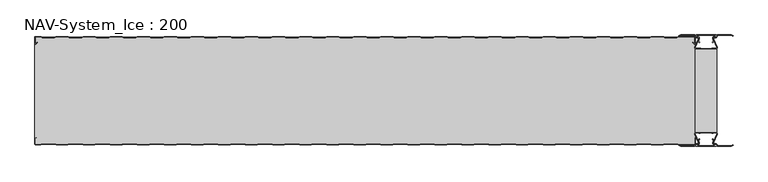
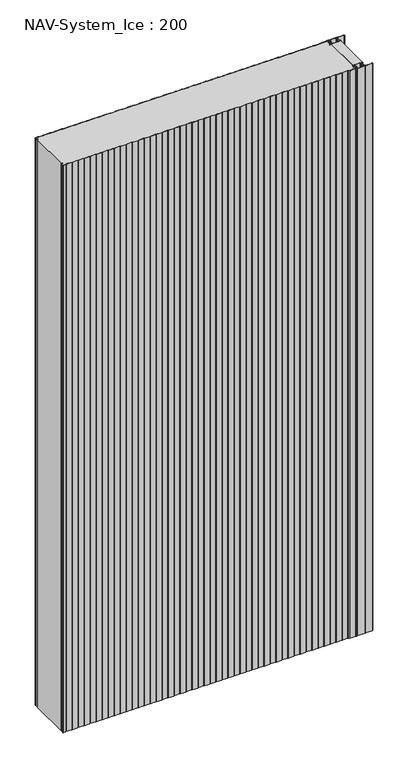
"""IFC4 building model written with IfcOpenShell, lengths in millimetres: plate geometry, NAV-System_Ice : 200."""

from ifc_helpers import new_model, si_unit, point, frame_2d, origin, origin_with_axes, place, context, project, spatial, polyline, circle_curve, trimmed, segment, composite_curve, outline, extrude, source, transform, mapped, element, save


def nav_system_ice_200_e9950154(model_context):
    return source(origin(), model_context, "Body", "SweptSolid", [
        extrude(outline(polyline([(630.0, -176.9693935), (590.0, -176.9693935), (590.0, -23.0306065), (630.0, -23.0306065), (630.0, -176.9693935)])), origin_with_axes(), (0.0, 0.0, 1.0), 2500.0),
        extrude(outline(composite_curve([segment(trimmed(circle_curve(frame_2d((599.1138734, -191.8417863)), 3.357884), [point((596.1169606, -193.3563483))], [point((597.7243711, -188.7848813))], False, "CARTESIAN"), True, "CONTINUOUS"), segment(polyline([(597.7243711, -188.7848813), (598.0554135, -189.5131744)]), True, "CONTINUOUS"), segment(trimmed(circle_curve(frame_2d((599.1138734, -191.8417863)), 2.557884), [point((598.0554135, -189.5131744))], [point((596.8448746, -193.0226397))], True, "CARTESIAN"), True, "CONTINUOUS"), segment(polyline([(596.8448746, -193.0226397), (597.7376807, -195.2182139)]), True, "CONTINUOUS"), segment(trimmed(circle_curve(frame_2d((593.7962884, -196.3456266)), 4.0994674), [point((597.7376807, -195.2182139))], [point((593.7866434, -200.4450826))], False, "CARTESIAN"), True, "CONTINUOUS"), segment(polyline([(593.7866434, -200.4450826), (592.2194901, -200.4092333)]), True, "CONTINUOUS"), segment(trimmed(circle_curve(frame_2d((592.2592624, -201.3027113)), 0.8943628), [point((592.2194901, -200.4092333))], [point((592.2592624, -202.1970741))], True, "CARTESIAN"), True, "CONTINUOUS"), segment(polyline([(592.2592624, -202.1970741), (627.7407376, -202.1970741)]), True, "CONTINUOUS"), segment(trimmed(circle_curve(frame_2d((627.7407376, -201.3027113)), 0.8943628), [point((627.7407376, -202.1970741))], [point((627.7805099, -200.4092333))], True, "CARTESIAN"), True, "CONTINUOUS"), segment(polyline([(627.7805099, -200.4092333), (626.2133566, -200.4450826)]), True, "CONTINUOUS"), segment(trimmed(circle_curve(frame_2d((626.2037116, -196.3456266)), 4.0994674), [point((626.2133566, -200.4450826))], [point((622.2623193, -195.2182139))], False, "CARTESIAN"), True, "CONTINUOUS"), segment(polyline([(622.2623193, -195.2182139), (623.1551254, -193.0226397)]), True, "CONTINUOUS"), segment(trimmed(circle_curve(frame_2d((620.8861266, -191.8417863)), 2.557884), [point((623.1551254, -193.0226397))], [point((621.9445865, -189.5131744))], True, "CARTESIAN"), True, "CONTINUOUS"), segment(polyline([(621.9445865, -189.5131744), (622.2756289, -188.7848813)]), True, "CONTINUOUS"), segment(trimmed(circle_curve(frame_2d((620.8861266, -191.8417863)), 3.357884), [point((622.2756289, -188.7848813))], [point((623.8830394, -193.3563483))], False, "CARTESIAN"), True, "CONTINUOUS"), segment(polyline([(623.8830394, -193.3563483), (623.0205049, -195.4774793)]), True, "CONTINUOUS"), segment(trimmed(circle_curve(frame_2d((626.2037116, -196.3456266)), 3.2994674), [point((623.0205049, -195.4774793))], [point((626.2037116, -199.645094))], True, "CARTESIAN"), True, "CONTINUOUS"), segment(polyline([(626.2037116, -199.645094), (627.7848884, -199.6089239)]), True, "CONTINUOUS"), segment(trimmed(circle_curve(frame_2d((627.7407376, -201.3027113)), 1.6943628), [point((627.7848884, -199.6089239))], [point((627.7407423, -202.9970741))], False, "CARTESIAN"), True, "CONTINUOUS"), segment(polyline([(627.7407423, -202.9970741), (592.2592577, -202.9970741)]), True, "CONTINUOUS"), segment(trimmed(circle_curve(frame_2d((592.2592624, -201.3027113)), 1.6943628), [point((592.2592577, -202.9970741))], [point((592.2151116, -199.6089239))], False, "CARTESIAN"), True, "CONTINUOUS"), segment(polyline([(592.2151116, -199.6089239), (593.7962884, -199.645094)]), True, "CONTINUOUS"), segment(trimmed(circle_curve(frame_2d((593.7962884, -196.3456266)), 3.2994674), [point((593.7962884, -199.645094))], [point((596.9794951, -195.4774793))], True, "CARTESIAN"), True, "CONTINUOUS"), segment(polyline([(596.9794951, -195.4774793), (596.1169606, -193.3563483)]), True, "CONTINUOUS")], self_intersect=False)), origin_with_axes(), (0.0, 0.0, 1.0), 2500.0),
        extrude(outline(composite_curve([segment(polyline([(596.1169606, -6.6436517), (596.9794951, -4.5225207)]), True, "CONTINUOUS"), segment(trimmed(circle_curve(frame_2d((593.7962884, -3.6543734)), 3.2994674), [point((596.9794951, -4.5225207))], [point((593.7962884, -0.354906))], True, "CARTESIAN"), True, "CONTINUOUS"), segment(polyline([(593.7962884, -0.354906), (592.2151116, -0.3910761)]), True, "CONTINUOUS"), segment(trimmed(circle_curve(frame_2d((592.2592624, 1.3027113)), 1.6943628), [point((592.2151116, -0.3910761))], [point((592.2592577, 2.9970741))], False, "CARTESIAN"), True, "CONTINUOUS"), segment(polyline([(592.2592577, 2.9970741), (627.7407423, 2.9970741)]), True, "CONTINUOUS"), segment(trimmed(circle_curve(frame_2d((627.7407376, 1.3027113)), 1.6943628), [point((627.7407423, 2.9970741))], [point((627.7848884, -0.3910761))], False, "CARTESIAN"), True, "CONTINUOUS"), segment(polyline([(627.7848884, -0.3910761), (626.2037116, -0.354906)]), True, "CONTINUOUS"), segment(trimmed(circle_curve(frame_2d((626.2037116, -3.6543734)), 3.2994674), [point((626.2037116, -0.354906))], [point((623.0205049, -4.5225207))], True, "CARTESIAN"), True, "CONTINUOUS"), segment(polyline([(623.0205049, -4.5225207), (623.8830394, -6.6436517)]), True, "CONTINUOUS"), segment(trimmed(circle_curve(frame_2d((620.8861266, -8.1582137)), 3.357884), [point((623.8830394, -6.6436517))], [point((622.2756289, -11.2151187))], False, "CARTESIAN"), True, "CONTINUOUS"), segment(polyline([(622.2756289, -11.2151187), (621.9445865, -10.4868256)]), True, "CONTINUOUS"), segment(trimmed(circle_curve(frame_2d((620.8861266, -8.1582137)), 2.557884), [point((621.9445865, -10.4868256))], [point((623.1551254, -6.9773603))], True, "CARTESIAN"), True, "CONTINUOUS"), segment(polyline([(623.1551254, -6.9773603), (622.2623193, -4.7817861)]), True, "CONTINUOUS"), segment(trimmed(circle_curve(frame_2d((626.2037116, -3.6543734)), 4.0994674), [point((622.2623193, -4.7817861))], [point((626.2133566, 0.4450826))], False, "CARTESIAN"), True, "CONTINUOUS"), segment(polyline([(626.2133566, 0.4450826), (627.7805099, 0.4092333)]), True, "CONTINUOUS"), segment(trimmed(circle_curve(frame_2d((627.7407376, 1.3027113)), 0.8943628), [point((627.7805099, 0.4092333))], [point((627.7407376, 2.1970741))], True, "CARTESIAN"), True, "CONTINUOUS"), segment(polyline([(627.7407376, 2.1970741), (592.2592624, 2.1970741)]), True, "CONTINUOUS"), segment(trimmed(circle_curve(frame_2d((592.2592624, 1.3027113)), 0.8943628), [point((592.2592624, 2.1970741))], [point((592.2194901, 0.4092333))], True, "CARTESIAN"), True, "CONTINUOUS"), segment(polyline([(592.2194901, 0.4092333), (593.7866434, 0.4450826)]), True, "CONTINUOUS"), segment(trimmed(circle_curve(frame_2d((593.7962884, -3.6543734)), 4.0994674), [point((593.7866434, 0.4450826))], [point((597.7376807, -4.7817861))], False, "CARTESIAN"), True, "CONTINUOUS"), segment(polyline([(597.7376807, -4.7817861), (596.8448746, -6.9773603)]), True, "CONTINUOUS"), segment(trimmed(circle_curve(frame_2d((599.1138734, -8.1582137)), 2.557884), [point((596.8448746, -6.9773603))], [point((598.0554135, -10.4868256))], True, "CARTESIAN"), True, "CONTINUOUS"), segment(polyline([(598.0554135, -10.4868256), (597.7243711, -11.2151187)]), True, "CONTINUOUS"), segment(trimmed(circle_curve(frame_2d((599.1138734, -8.1582137)), 3.357884), [point((597.7243711, -11.2151187))], [point((596.1169606, -6.6436517))], False, "CARTESIAN"), True, "CONTINUOUS")], self_intersect=False)), origin_with_axes(), (0.0, 0.0, 1.0), 2500.0),
        extrude(outline(composite_curve([segment(trimmed(circle_curve(frame_2d((591.9446371, -179.7746821)), 1.80576), [point((591.9446371, -177.9689221))], [point((590.2170288, -180.300171))], True, "CARTESIAN"), True, "CONTINUOUS"), segment(polyline([(590.2170288, -180.300171), (596.4690067, -194.9459892)]), True, "CONTINUOUS"), segment(trimmed(circle_curve(frame_2d((593.7254406, -195.9868127)), 2.93436), [point((596.4690067, -194.9459892))], [point((593.7254406, -198.9211727))], False, "CARTESIAN"), True, "CONTINUOUS"), segment(polyline([(593.7254406, -198.9211727), (592.1347887, -198.9211727)]), True, "CONTINUOUS"), segment(trimmed(circle_curve(frame_2d((592.1347887, -200.5012127)), 1.58004), [point((592.1347887, -198.9211727))], [point((590.931072, -199.4776931))], True, "CARTESIAN"), True, "CONTINUOUS"), segment(polyline([(590.931072, -199.4776931), (589.0191946, -203.0112573), (562.9417977, -203.0112573), (560.0, -201.2043676), (560.523373, -200.3522639), (563.2243806, -202.0112573), (588.4232658, -202.0112573), (590.0952671, -198.9210361)]), True, "CONTINUOUS"), segment(trimmed(circle_curve(frame_2d((592.1347887, -200.5012127)), 2.58004), [point((590.0952671, -198.9210361))], [point((592.1347887, -197.9211727))], False, "CARTESIAN"), True, "CONTINUOUS"), segment(polyline([(592.1347887, -197.9211727), (593.7254406, -197.9211727)]), True, "CONTINUOUS"), segment(trimmed(circle_curve(frame_2d((593.7254406, -195.9868127)), 1.93436), [point((593.7254406, -197.9211727))], [point((595.5404425, -195.3178459))], True, "CARTESIAN"), True, "CONTINUOUS"), segment(polyline([(595.5404425, -195.3178459), (589.2784311, -180.6484726)]), True, "CONTINUOUS"), segment(trimmed(circle_curve(frame_2d((591.9446225, -179.7747413)), 2.8057055), [point((589.2784311, -180.6484726))], [point((591.9446225, -176.9690357))], False, "CARTESIAN"), True, "CONTINUOUS"), segment(polyline([(591.9446225, -176.9690357), (595.755568, -176.9690357)]), True, "CONTINUOUS"), segment(trimmed(circle_curve(frame_2d((595.7555679, -179.0975873)), 2.1285516), [point((595.755568, -176.9690357))], [point((597.1042828, -177.4508633))], False, "CARTESIAN"), True, "CONTINUOUS"), segment(trimmed(circle_curve(frame_2d((598.2552034, -176.0456377)), 1.8163913), [point((597.1042828, -177.4508633))], [point((599.4059468, -177.4510085))], True, "CARTESIAN"), True, "CONTINUOUS"), segment(trimmed(circle_curve(frame_2d((600.7543352, -179.0977575)), 2.128364), [point((599.4059468, -177.4510085))], [point((600.7543352, -176.9693935))], False, "CARTESIAN"), True, "CONTINUOUS"), segment(polyline([(600.7543352, -176.9693935), (619.2454674, -176.9693935)]), True, "CONTINUOUS"), segment(trimmed(circle_curve(frame_2d((619.2454674, -179.0977884)), 2.1283949), [point((619.2454674, -176.9693935))], [point((620.594293, -177.4513576))], False, "CARTESIAN"), True, "CONTINUOUS"), segment(trimmed(circle_curve(frame_2d((621.7456338, -176.0459847)), 1.8167715), [point((620.594293, -177.4513576))], [point((622.8963798, -177.4518446))], True, "CARTESIAN"), True, "CONTINUOUS"), segment(trimmed(circle_curve(frame_2d((624.244105, -179.0983528)), 2.1277576), [point((622.8963798, -177.4518446))], [point((624.244105, -176.9705952))], False, "CARTESIAN"), True, "CONTINUOUS"), segment(polyline([(624.244105, -176.9705952), (628.0535675, -176.9705952)]), True, "CONTINUOUS"), segment(trimmed(circle_curve(frame_2d((628.0535675, -179.7787791)), 2.8081839), [point((628.0535675, -176.9705952))], [point((630.7287795, -180.6326746))], False, "CARTESIAN"), True, "CONTINUOUS"), segment(polyline([(630.7287795, -180.6326746), (624.4595575, -195.3178459)]), True, "CONTINUOUS"), segment(trimmed(circle_curve(frame_2d((626.2745595, -195.9868127)), 1.93436), [point((624.4595575, -195.3178459))], [point((626.2745595, -197.9211727))], True, "CARTESIAN"), True, "CONTINUOUS"), segment(polyline([(626.2745595, -197.9211727), (627.8652113, -197.9211727)]), True, "CONTINUOUS"), segment(trimmed(circle_curve(frame_2d((627.8652113, -200.5012127)), 2.58004), [point((627.8652113, -197.9211727))], [point((629.9047329, -198.9210361))], False, "CARTESIAN"), True, "CONTINUOUS"), segment(polyline([(629.9047329, -198.9210361), (631.5767342, -202.0112573), (656.7756194, -202.0112573), (659.476627, -200.3522639), (660.0, -201.2043676), (657.0582024, -203.0112573), (630.9808054, -203.0112573), (629.068928, -199.4776931)]), True, "CONTINUOUS"), segment(trimmed(circle_curve(frame_2d((627.8652113, -200.5012127)), 1.58004), [point((629.068928, -199.4776931))], [point((627.8652113, -198.9211727))], True, "CARTESIAN"), True, "CONTINUOUS"), segment(polyline([(627.8652113, -198.9211727), (626.2745595, -198.9211727)]), True, "CONTINUOUS"), segment(trimmed(circle_curve(frame_2d((626.2745595, -195.9868127)), 2.93436), [point((626.2745595, -198.9211727))], [point((623.5309933, -194.9459892))], False, "CARTESIAN"), True, "CONTINUOUS"), segment(polyline([(623.5309933, -194.9459892), (629.7829713, -180.300171)]), True, "CONTINUOUS"), segment(trimmed(circle_curve(frame_2d((628.0553629, -179.7746822)), 1.80576), [point((629.7829713, -180.300171))], [point((628.0553629, -177.9689222))], True, "CARTESIAN"), True, "CONTINUOUS"), segment(polyline([(628.0553629, -177.9689222), (623.5184731, -177.9689222)]), True, "CONTINUOUS"), segment(trimmed(circle_curve(frame_2d((621.7449981, -176.0455076)), 2.6162449), [point((623.5184731, -177.9689222))], [point((619.7766029, -177.7689222))], False, "CARTESIAN"), True, "CONTINUOUS"), segment(polyline([(619.7766029, -177.7689222), (600.2233971, -177.7689222)]), True, "CONTINUOUS"), segment(trimmed(circle_curve(frame_2d((598.255002, -176.0455076)), 2.6162449), [point((600.2233971, -177.7689222))], [point((596.4815269, -177.9689221))], False, "CARTESIAN"), True, "CONTINUOUS"), segment(polyline([(596.4815269, -177.9689221), (591.9446371, -177.9689221)]), True, "CONTINUOUS")], self_intersect=False)), origin_with_axes(), (0.0, 0.0, 1.0), 2500.0),
        extrude(outline(composite_curve([segment(polyline([(591.9446371, -22.0310778), (596.4815269, -22.0310778)]), True, "CONTINUOUS"), segment(trimmed(circle_curve(frame_2d((598.2550019, -23.9544924)), 2.6162449), [point((596.4815269, -22.0310778))], [point((600.2233971, -22.2310778))], False, "CARTESIAN"), True, "CONTINUOUS"), segment(polyline([(600.2233971, -22.2310778), (619.7766029, -22.2310778)]), True, "CONTINUOUS"), segment(trimmed(circle_curve(frame_2d((621.7449981, -23.9544924)), 2.6162449), [point((619.7766029, -22.2310778))], [point((623.5184731, -22.0310778))], False, "CARTESIAN"), True, "CONTINUOUS"), segment(polyline([(623.5184731, -22.0310778), (628.0553629, -22.0310778)]), True, "CONTINUOUS"), segment(trimmed(circle_curve(frame_2d((628.0553629, -20.2253178)), 1.80576), [point((628.0553629, -22.0310778))], [point((629.7829712, -19.699829))], True, "CARTESIAN"), True, "CONTINUOUS"), segment(polyline([(629.7829712, -19.699829), (623.5309933, -5.0540108)]), True, "CONTINUOUS"), segment(trimmed(circle_curve(frame_2d((626.2745594, -4.0131873)), 2.93436), [point((623.5309933, -5.0540108))], [point((626.2745594, -1.0788273))], False, "CARTESIAN"), True, "CONTINUOUS"), segment(polyline([(626.2745594, -1.0788273), (627.8652113, -1.0788273)]), True, "CONTINUOUS"), segment(trimmed(circle_curve(frame_2d((627.8652113, 0.5012127)), 1.58004), [point((627.8652113, -1.0788273))], [point((629.068928, -0.5223069))], True, "CARTESIAN"), True, "CONTINUOUS"), segment(polyline([(629.068928, -0.5223069), (630.9808054, 3.0112573), (657.0582023, 3.0112573), (660.0, 1.2043676), (659.476627, 0.3522639), (656.7756194, 2.0112573), (631.5767342, 2.0112573), (629.9047329, -1.0789639)]), True, "CONTINUOUS"), segment(trimmed(circle_curve(frame_2d((627.8652113, 0.5012127)), 2.58004), [point((629.9047329, -1.0789639))], [point((627.8652113, -2.0788273))], False, "CARTESIAN"), True, "CONTINUOUS"), segment(polyline([(627.8652113, -2.0788273), (626.2745594, -2.0788273)]), True, "CONTINUOUS"), segment(trimmed(circle_curve(frame_2d((626.2745594, -4.0131873)), 1.93436), [point((626.2745594, -2.0788273))], [point((624.4595575, -4.6821541))], True, "CARTESIAN"), True, "CONTINUOUS"), segment(polyline([(624.4595575, -4.6821541), (630.7287795, -19.3673254)]), True, "CONTINUOUS"), segment(trimmed(circle_curve(frame_2d((628.0535675, -20.2212209)), 2.8081839), [point((630.7287795, -19.3673254))], [point((628.0535675, -23.0294048))], False, "CARTESIAN"), True, "CONTINUOUS"), segment(polyline([(628.0535675, -23.0294048), (624.244105, -23.0294048)]), True, "CONTINUOUS"), segment(trimmed(circle_curve(frame_2d((624.244105, -20.9016472)), 2.1277576), [point((624.244105, -23.0294048))], [point((622.8963798, -22.5481554))], False, "CARTESIAN"), True, "CONTINUOUS"), segment(trimmed(circle_curve(frame_2d((621.7456337, -23.9540153)), 1.8167716), [point((622.8963798, -22.5481554))], [point((620.5942929, -22.5486423))], True, "CARTESIAN"), True, "CONTINUOUS"), segment(trimmed(circle_curve(frame_2d((619.2454674, -20.9022116)), 2.1283949), [point((620.5942929, -22.5486423))], [point((619.2454674, -23.0306065))], False, "CARTESIAN"), True, "CONTINUOUS"), segment(polyline([(619.2454674, -23.0306065), (600.7543352, -23.0306065)]), True, "CONTINUOUS"), segment(trimmed(circle_curve(frame_2d((600.7543352, -20.9022425)), 2.128364), [point((600.7543352, -23.0306065))], [point((599.4059468, -22.5489915))], False, "CARTESIAN"), True, "CONTINUOUS"), segment(trimmed(circle_curve(frame_2d((598.2552034, -23.9543623)), 1.8163912), [point((599.4059468, -22.5489915))], [point((597.1042828, -22.5491367))], True, "CARTESIAN"), True, "CONTINUOUS"), segment(trimmed(circle_curve(frame_2d((595.7555679, -20.9024127)), 2.1285516), [point((597.1042828, -22.5491367))], [point((595.7555679, -23.0309643))], False, "CARTESIAN"), True, "CONTINUOUS"), segment(polyline([(595.7555679, -23.0309643), (591.9446225, -23.0309643)]), True, "CONTINUOUS"), segment(trimmed(circle_curve(frame_2d((591.9446225, -20.2252587)), 2.8057055), [point((591.9446225, -23.0309643))], [point((589.2784311, -19.3515274))], False, "CARTESIAN"), True, "CONTINUOUS"), segment(polyline([(589.2784311, -19.3515274), (595.5404425, -4.6821541)]), True, "CONTINUOUS"), segment(trimmed(circle_curve(frame_2d((593.7254406, -4.0131873)), 1.93436), [point((595.5404425, -4.6821541))], [point((593.7254406, -2.0788273))], True, "CARTESIAN"), True, "CONTINUOUS"), segment(polyline([(593.7254406, -2.0788273), (592.1347887, -2.0788273)]), True, "CONTINUOUS"), segment(trimmed(circle_curve(frame_2d((592.1347887, 0.5012127)), 2.58004), [point((592.1347887, -2.0788273))], [point((590.0952671, -1.0789639))], False, "CARTESIAN"), True, "CONTINUOUS"), segment(polyline([(590.0952671, -1.0789639), (588.4232658, 2.0112573), (563.2243806, 2.0112573), (560.523373, 0.3522639), (560.0, 1.2043676), (562.9417977, 3.0112573), (589.0191946, 3.0112573), (590.931072, -0.5223069)]), True, "CONTINUOUS"), segment(trimmed(circle_curve(frame_2d((592.1347887, 0.5012127)), 1.58004), [point((590.931072, -0.5223069))], [point((592.1347887, -1.0788273))], True, "CARTESIAN"), True, "CONTINUOUS"), segment(polyline([(592.1347887, -1.0788273), (593.7254406, -1.0788273)]), True, "CONTINUOUS"), segment(trimmed(circle_curve(frame_2d((593.7254406, -4.0131873)), 2.93436), [point((593.7254406, -1.0788273))], [point((596.4690067, -5.0540108))], False, "CARTESIAN"), True, "CONTINUOUS"), segment(polyline([(596.4690067, -5.0540108), (590.2170288, -19.699829)]), True, "CONTINUOUS"), segment(trimmed(circle_curve(frame_2d((591.9446371, -20.2253178)), 1.80576), [point((590.2170288, -19.699829))], [point((591.9446371, -22.0310778))], True, "CARTESIAN"), True, "CONTINUOUS")], self_intersect=False)), origin_with_axes(), (0.0, 0.0, 1.0), 2500.0),
        extrude(outline(composite_curve([segment(polyline([(559.1298221, -0.8), (556.1298221, -1.8), (533.8701779, -1.8), (530.8701779, -0.8), (509.1298221, -0.8), (506.1298221, -1.8), (483.8701779, -1.8), (480.8701779, -0.8), (459.1298221, -0.8), (456.1298221, -1.8), (433.8701779, -1.8), (430.8701779, -0.8), (409.1298221, -0.8), (406.1298221, -1.8), (383.8701779, -1.8), (380.8701779, -0.8), (359.1298221, -0.8), (356.1298221, -1.8), (333.8701779, -1.8), (330.8701779, -0.8), (309.1298221, -0.8), (306.1298221, -1.8), (283.8701779, -1.8), (280.8701779, -0.8), (259.1298221, -0.8), (256.1298221, -1.8), (233.8701779, -1.8), (230.8701779, -0.8), (209.1298221, -0.8), (206.1298221, -1.8), (183.8701779, -1.8), (180.8701779, -0.8), (159.1298221, -0.8), (156.1298221, -1.8), (133.8701779, -1.8), (130.8701779, -0.8), (109.1298221, -0.8), (106.1298221, -1.8), (83.8701779, -1.8), (80.8701779, -0.8), (59.1298221, -0.8), (56.1298221, -1.8), (33.8701779, -1.8), (30.8701779, -0.8), (9.1298221, -0.8), (6.1298221, -1.8), (-16.1298221, -1.8), (-19.1298221, -0.8), (-40.8701779, -0.8), (-43.8701779, -1.8), (-66.1298221, -1.8), (-69.1298221, -0.8), (-90.8701779, -0.8), (-93.8701779, -1.8), (-116.1298221, -1.8), (-119.1298221, -0.8), (-140.8701779, -0.8), (-143.8701779, -1.8), (-166.1298221, -1.8), (-169.1298221, -0.8), (-190.8701779, -0.8), (-193.8701779, -1.8), (-216.1298221, -1.8), (-219.1298221, -0.8), (-240.8701779, -0.8), (-243.8701779, -1.8), (-266.1298221, -1.8), (-269.1298221, -0.8), (-290.8701779, -0.8), (-293.8701779, -1.8), (-316.1298221, -1.8), (-319.1298221, -0.8), (-340.8701779, -0.8), (-343.8701779, -1.8), (-366.1298221, -1.8), (-369.1298221, -0.8), (-390.8701779, -0.8), (-393.8701779, -1.8), (-416.1298221, -1.8), (-419.1298221, -0.8), (-440.8701779, -0.8), (-443.8701779, -1.8), (-466.1298221, -1.8), (-469.1298221, -0.8), (-490.8701779, -0.8), (-493.8701779, -1.8), (-516.1298221, -1.8), (-519.1298221, -0.8), (-540.8701779, -0.8), (-543.8701779, -1.8), (-566.1298221, -1.8), (-569.1298221, -0.8), (-590.8701779, -0.8), (-593.8701779, -1.8), (-616.1298221, -1.8), (-619.1298221, -0.8), (-628.7, -0.8)]), True, "CONTINUOUS"), segment(trimmed(circle_curve(frame_2d((-628.7, -1.3)), 0.5), [point((-628.7, -0.8))], [point((-629.2, -1.3))], True, "CARTESIAN"), True, "CONTINUOUS"), segment(polyline([(-629.2, -1.3), (-629.2, -12.5857864)]), True, "CONTINUOUS"), segment(trimmed(circle_curve(frame_2d((-628.7, -12.5857864)), 0.5), [point((-629.2, -12.5857864))], [point((-628.3464466, -12.9393398))], True, "CARTESIAN"), True, "CONTINUOUS"), segment(polyline([(-628.3464466, -12.9393398), (-625.9205321, -10.5134253), (-625.3548467, -11.0791108), (-627.7807612, -13.5050253)]), True, "CONTINUOUS"), segment(trimmed(circle_curve(frame_2d((-628.7, -12.5857864)), 1.3), [point((-627.7807612, -13.5050253))], [point((-630.0, -12.5857864))], False, "CARTESIAN"), True, "CONTINUOUS"), segment(polyline([(-630.0, -12.5857864), (-630.0, -1.3)]), True, "CONTINUOUS"), segment(trimmed(circle_curve(frame_2d((-628.7, -1.3)), 1.3), [point((-630.0, -1.3))], [point((-628.7, 0.0))], False, "CARTESIAN"), True, "CONTINUOUS"), segment(polyline([(-628.7, 0.0), (-619.0, 0.0), (-616.0, -1.0), (-594.0, -1.0), (-591.0, 0.0), (-569.0, 0.0), (-566.0, -1.0), (-544.0, -1.0), (-541.0, 0.0), (-519.0, 0.0), (-516.0, -1.0), (-494.0, -1.0), (-491.0, 0.0), (-469.0, 0.0), (-466.0, -1.0), (-444.0, -1.0), (-441.0, 0.0), (-419.0, 0.0), (-416.0, -1.0), (-394.0, -1.0), (-391.0, 0.0), (-369.0, 0.0), (-366.0, -1.0), (-344.0, -1.0), (-341.0, 0.0), (-319.0, 0.0), (-316.0, -1.0), (-294.0, -1.0), (-291.0, 0.0), (-269.0, 0.0), (-266.0, -1.0), (-244.0, -1.0), (-241.0, 0.0), (-219.0, 0.0), (-216.0, -1.0), (-194.0, -1.0), (-191.0, 0.0), (-169.0, 0.0), (-166.0, -1.0), (-144.0, -1.0), (-141.0, 0.0), (-119.0, 0.0), (-116.0, -1.0), (-94.0, -1.0), (-91.0, 0.0), (-69.0, 0.0), (-66.0, -1.0), (-44.0, -1.0), (-41.0, 0.0), (-19.0, 0.0), (-16.0, -1.0), (6.0, -1.0), (9.0, 0.0), (31.0, 0.0), (34.0, -1.0), (56.0, -1.0), (59.0, 0.0), (81.0, 0.0), (84.0, -1.0), (106.0, -1.0), (109.0, 0.0), (131.0, 0.0), (134.0, -1.0), (156.0, -1.0), (159.0, 0.0), (181.0, 0.0), (184.0, -1.0), (206.0, -1.0), (209.0, 0.0), (231.0, 0.0), (234.0, -1.0), (256.0, -1.0), (259.0, 0.0), (281.0, 0.0), (284.0, -1.0), (306.0, -1.0), (309.0, 0.0), (331.0, 0.0), (334.0, -1.0), (356.0, -1.0), (359.0, 0.0), (381.0, 0.0), (384.0, -1.0), (406.0, -1.0), (409.0, 0.0), (431.0, 0.0), (434.0, -1.0), (456.0, -1.0), (459.0, 0.0), (481.0, 0.0), (484.0, -1.0), (506.0, -1.0), (509.0, 0.0), (531.0, 0.0), (534.0, -1.0), (556.0, -1.0), (559.0, 0.0), (588.7, 0.0)]), True, "CONTINUOUS"), segment(trimmed(circle_curve(frame_2d((588.7, -1.3)), 1.3), [point((588.7, 0.0))], [point((590.0, -1.3))], False, "CARTESIAN"), True, "CONTINUOUS"), segment(polyline([(590.0, -1.3), (590.0, -12.5857864)]), True, "CONTINUOUS"), segment(trimmed(circle_curve(frame_2d((588.7, -12.5857864)), 1.3), [point((590.0, -12.5857864))], [point((587.7807612, -13.5050253))], False, "CARTESIAN"), True, "CONTINUOUS"), segment(polyline([(587.7807612, -13.5050253), (585.3548467, -11.0791108), (585.9205321, -10.5134253), (588.3464466, -12.9393398)]), True, "CONTINUOUS"), segment(trimmed(circle_curve(frame_2d((588.7, -12.5857864)), 0.5), [point((588.3464466, -12.9393398))], [point((589.2, -12.5857864))], True, "CARTESIAN"), True, "CONTINUOUS"), segment(polyline([(589.2, -12.5857864), (589.2, -1.3)]), True, "CONTINUOUS"), segment(trimmed(circle_curve(frame_2d((588.7, -1.3)), 0.5), [point((589.2, -1.3))], [point((588.7, -0.8))], True, "CARTESIAN"), True, "CONTINUOUS"), segment(polyline([(588.7, -0.8), (559.1298221, -0.8)]), True, "CONTINUOUS")], self_intersect=False)), origin_with_axes(), (0.0, 0.0, 1.0), 2500.0),
        extrude(outline(composite_curve([segment(polyline([(559.1298221, -0.8), (588.7, -0.8)]), True, "CONTINUOUS"), segment(trimmed(circle_curve(frame_2d((588.7, -1.3)), 0.5), [point((588.7, -0.8))], [point((589.2, -1.3))], False, "CARTESIAN"), True, "CONTINUOUS"), segment(polyline([(589.2, -1.3), (589.2, -12.5857864)]), True, "CONTINUOUS"), segment(trimmed(circle_curve(frame_2d((588.7, -12.5857864)), 0.5), [point((589.2, -12.5857864))], [point((588.3464466, -12.9393398))], False, "CARTESIAN"), True, "CONTINUOUS"), segment(polyline([(588.3464466, -12.9393398), (585.9205321, -10.5134253), (585.3548467, -11.0791108), (587.7807612, -13.5050253)]), True, "CONTINUOUS"), segment(trimmed(circle_curve(frame_2d((588.7, -12.5857864)), 1.3), [point((587.7807612, -13.5050253))], [point((588.7, -13.8857864))], True, "CARTESIAN"), True, "CONTINUOUS"), segment(polyline([(588.7, -13.8857864), (590.0, -13.8857864), (590.0, -186.1142136), (588.7, -186.1142136)]), True, "CONTINUOUS"), segment(trimmed(circle_curve(frame_2d((588.7, -187.4142136)), 1.3), [point((588.7, -186.1142136))], [point((587.7807612, -186.4949747))], True, "CARTESIAN"), True, "CONTINUOUS"), segment(polyline([(587.7807612, -186.4949747), (585.3548467, -188.9208892), (585.9205321, -189.4865747), (588.3464466, -187.0606602)]), True, "CONTINUOUS"), segment(trimmed(circle_curve(frame_2d((588.7, -187.4142136)), 0.5), [point((588.3464466, -187.0606602))], [point((589.2, -187.4142136))], False, "CARTESIAN"), True, "CONTINUOUS"), segment(polyline([(589.2, -187.4142136), (589.2, -198.7)]), True, "CONTINUOUS"), segment(trimmed(circle_curve(frame_2d((588.7, -198.7)), 0.5), [point((589.2, -198.7))], [point((588.7, -199.2))], False, "CARTESIAN"), True, "CONTINUOUS"), segment(polyline([(588.7, -199.2), (559.1298221, -199.2), (556.1298221, -198.2), (533.8701779, -198.2), (530.8701779, -199.2), (509.1298221, -199.2), (506.1298221, -198.2), (483.8701779, -198.2), (480.8701779, -199.2), (459.1298221, -199.2), (456.1298221, -198.2), (433.8701779, -198.2), (430.8701779, -199.2), (409.1298221, -199.2), (406.1298221, -198.2), (383.8701779, -198.2), (380.8701779, -199.2), (359.1298221, -199.2), (356.1298221, -198.2), (333.8701779, -198.2), (330.8701779, -199.2), (309.1298221, -199.2), (306.1298221, -198.2), (283.8701779, -198.2), (280.8701779, -199.2), (259.1298221, -199.2), (256.1298221, -198.2), (233.8701779, -198.2), (230.8701779, -199.2), (209.1298221, -199.2), (206.1298221, -198.2), (183.8701779, -198.2), (180.8701779, -199.2), (159.1298221, -199.2), (156.1298221, -198.2), (133.8701779, -198.2), (130.8701779, -199.2), (109.1298221, -199.2), (106.1298221, -198.2), (83.8701779, -198.2), (80.8701779, -199.2), (59.1298221, -199.2), (56.1298221, -198.2), (33.8701779, -198.2), (30.8701779, -199.2), (9.1298221, -199.2), (6.1298221, -198.2), (-16.1298221, -198.2), (-19.1298221, -199.2), (-40.8701779, -199.2), (-43.8701779, -198.2), (-66.1298221, -198.2), (-69.1298221, -199.2), (-90.8701779, -199.2), (-93.8701779, -198.2), (-116.1298221, -198.2), (-119.1298221, -199.2), (-140.8701779, -199.2), (-143.8701779, -198.2), (-166.1298221, -198.2), (-169.1298221, -199.2), (-190.8701779, -199.2), (-193.8701779, -198.2), (-216.1298221, -198.2), (-219.1298221, -199.2), (-240.8701779, -199.2), (-243.8701779, -198.2), (-266.1298221, -198.2), (-269.1298221, -199.2), (-290.8701779, -199.2), (-293.8701779, -198.2), (-316.1298221, -198.2), (-319.1298221, -199.2), (-340.8701779, -199.2), (-343.8701779, -198.2), (-366.1298221, -198.2), (-369.1298221, -199.2), (-390.8701779, -199.2), (-393.8701779, -198.2), (-416.1298221, -198.2), (-419.1298221, -199.2), (-440.8701779, -199.2), (-443.8701779, -198.2), (-466.1298221, -198.2), (-469.1298221, -199.2), (-490.8701779, -199.2), (-493.8701779, -198.2), (-516.1298221, -198.2), (-519.1298221, -199.2), (-540.8701779, -199.2), (-543.8701779, -198.2), (-566.1298221, -198.2), (-569.1298221, -199.2), (-590.8701779, -199.2), (-593.8701779, -198.2), (-616.1298221, -198.2), (-619.1298221, -199.2), (-628.7, -199.2)]), True, "CONTINUOUS"), segment(trimmed(circle_curve(frame_2d((-628.7, -198.7)), 0.5), [point((-628.7, -199.2))], [point((-629.2, -198.7))], False, "CARTESIAN"), True, "CONTINUOUS"), segment(polyline([(-629.2, -198.7), (-629.2, -187.4142136)]), True, "CONTINUOUS"), segment(trimmed(circle_curve(frame_2d((-628.7, -187.4142136)), 0.5), [point((-629.2, -187.4142136))], [point((-628.3464466, -187.0606602))], False, "CARTESIAN"), True, "CONTINUOUS"), segment(polyline([(-628.3464466, -187.0606602), (-625.9205321, -189.4865747), (-625.3548467, -188.9208892), (-627.7807612, -186.4949747)]), True, "CONTINUOUS"), segment(trimmed(circle_curve(frame_2d((-628.7, -187.4142136)), 1.3), [point((-627.7807612, -186.4949747))], [point((-628.7, -186.1142136))], True, "CARTESIAN"), True, "CONTINUOUS"), segment(polyline([(-628.7, -186.1142136), (-630.0, -186.1142136), (-630.0, -13.8857864), (-628.7, -13.8857864)]), True, "CONTINUOUS"), segment(trimmed(circle_curve(frame_2d((-628.7, -12.5857864)), 1.3), [point((-628.7, -13.8857864))], [point((-627.7807612, -13.5050253))], True, "CARTESIAN"), True, "CONTINUOUS"), segment(polyline([(-627.7807612, -13.5050253), (-625.3548467, -11.0791108), (-625.9205321, -10.5134253), (-628.3464466, -12.9393398)]), True, "CONTINUOUS"), segment(trimmed(circle_curve(frame_2d((-628.7, -12.5857864)), 0.5), [point((-628.3464466, -12.9393398))], [point((-629.2, -12.5857864))], False, "CARTESIAN"), True, "CONTINUOUS"), segment(polyline([(-629.2, -12.5857864), (-629.2, -1.3)]), True, "CONTINUOUS"), segment(trimmed(circle_curve(frame_2d((-628.7, -1.3)), 0.5), [point((-629.2, -1.3))], [point((-628.7, -0.8))], False, "CARTESIAN"), True, "CONTINUOUS"), segment(polyline([(-628.7, -0.8), (-619.1298221, -0.8), (-616.1298221, -1.8), (-593.8701779, -1.8), (-590.8701779, -0.8), (-569.1298221, -0.8), (-566.1298221, -1.8), (-543.8701779, -1.8), (-540.8701779, -0.8), (-519.1298221, -0.8), (-516.1298221, -1.8), (-493.8701779, -1.8), (-490.8701779, -0.8), (-469.1298221, -0.8), (-466.1298221, -1.8), (-443.8701779, -1.8), (-440.8701779, -0.8), (-419.1298221, -0.8), (-416.1298221, -1.8), (-393.8701779, -1.8), (-390.8701779, -0.8), (-369.1298221, -0.8), (-366.1298221, -1.8), (-343.8701779, -1.8), (-340.8701779, -0.8), (-319.1298221, -0.8), (-316.1298221, -1.8), (-293.8701779, -1.8), (-290.8701779, -0.8), (-269.1298221, -0.8), (-266.1298221, -1.8), (-243.8701779, -1.8), (-240.8701779, -0.8), (-219.1298221, -0.8), (-216.1298221, -1.8), (-193.8701779, -1.8), (-190.8701779, -0.8), (-169.1298221, -0.8), (-166.1298221, -1.8), (-143.8701779, -1.8), (-140.8701779, -0.8), (-119.1298221, -0.8), (-116.1298221, -1.8), (-93.8701779, -1.8), (-90.8701779, -0.8), (-69.1298221, -0.8), (-66.1298221, -1.8), (-43.8701779, -1.8), (-40.8701779, -0.8), (-19.1298221, -0.8), (-16.1298221, -1.8), (6.1298221, -1.8), (9.1298221, -0.8), (30.8701779, -0.8), (33.8701779, -1.8), (56.1298221, -1.8), (59.1298221, -0.8), (80.8701779, -0.8), (83.8701779, -1.8), (106.1298221, -1.8), (109.1298221, -0.8), (130.8701779, -0.8), (133.8701779, -1.8), (156.1298221, -1.8), (159.1298221, -0.8), (180.8701779, -0.8), (183.8701779, -1.8), (206.1298221, -1.8), (209.1298221, -0.8), (230.8701779, -0.8), (233.8701779, -1.8), (256.1298221, -1.8), (259.1298221, -0.8), (280.8701779, -0.8), (283.8701779, -1.8), (306.1298221, -1.8), (309.1298221, -0.8), (330.8701779, -0.8), (333.8701779, -1.8), (356.1298221, -1.8), (359.1298221, -0.8), (380.8701779, -0.8), (383.8701779, -1.8), (406.1298221, -1.8), (409.1298221, -0.8), (430.8701779, -0.8), (433.8701779, -1.8), (456.1298221, -1.8), (459.1298221, -0.8), (480.8701779, -0.8), (483.8701779, -1.8), (506.1298221, -1.8), (509.1298221, -0.8), (530.8701779, -0.8), (533.8701779, -1.8), (556.1298221, -1.8), (559.1298221, -0.8)]), True, "CONTINUOUS")], self_intersect=False)), origin_with_axes(), (0.0, 0.0, 1.0), 2500.0),
        extrude(outline(composite_curve([segment(polyline([(559.1298221, -199.2), (588.7, -199.2)]), True, "CONTINUOUS"), segment(trimmed(circle_curve(frame_2d((588.7, -198.7)), 0.5), [point((588.7, -199.2))], [point((589.2, -198.7))], True, "CARTESIAN"), True, "CONTINUOUS"), segment(polyline([(589.2, -198.7), (589.2, -187.4142136)]), True, "CONTINUOUS"), segment(trimmed(circle_curve(frame_2d((588.7, -187.4142136)), 0.5), [point((589.2, -187.4142136))], [point((588.3464466, -187.0606602))], True, "CARTESIAN"), True, "CONTINUOUS"), segment(polyline([(588.3464466, -187.0606602), (585.9205321, -189.4865747), (585.3548467, -188.9208892), (587.7807612, -186.4949747)]), True, "CONTINUOUS"), segment(trimmed(circle_curve(frame_2d((588.7, -187.4142136)), 1.3), [point((587.7807612, -186.4949747))], [point((590.0, -187.4142136))], False, "CARTESIAN"), True, "CONTINUOUS"), segment(polyline([(590.0, -187.4142136), (590.0, -198.7)]), True, "CONTINUOUS"), segment(trimmed(circle_curve(frame_2d((588.7, -198.7)), 1.3), [point((590.0, -198.7))], [point((588.7, -200.0))], False, "CARTESIAN"), True, "CONTINUOUS"), segment(polyline([(588.7, -200.0), (559.0, -200.0), (556.0, -199.0), (534.0, -199.0), (531.0, -200.0), (509.0, -200.0), (506.0, -199.0), (484.0, -199.0), (481.0, -200.0), (459.0, -200.0), (456.0, -199.0), (434.0, -199.0), (431.0, -200.0), (409.0, -200.0), (406.0, -199.0), (384.0, -199.0), (381.0, -200.0), (359.0, -200.0), (356.0, -199.0), (334.0, -199.0), (331.0, -200.0), (309.0, -200.0), (306.0, -199.0), (284.0, -199.0), (281.0, -200.0), (259.0, -200.0), (256.0, -199.0), (234.0, -199.0), (231.0, -200.0), (209.0, -200.0), (206.0, -199.0), (184.0, -199.0), (181.0, -200.0), (159.0, -200.0), (156.0, -199.0), (134.0, -199.0), (131.0, -200.0), (109.0, -200.0), (106.0, -199.0), (84.0, -199.0), (81.0, -200.0), (59.0, -200.0), (56.0, -199.0), (34.0, -199.0), (31.0, -200.0), (9.0, -200.0), (6.0, -199.0), (-16.0, -199.0), (-19.0, -200.0), (-41.0, -200.0), (-44.0, -199.0), (-66.0, -199.0), (-69.0, -200.0), (-91.0, -200.0), (-94.0, -199.0), (-116.0, -199.0), (-119.0, -200.0), (-141.0, -200.0), (-144.0, -199.0), (-166.0, -199.0), (-169.0, -200.0), (-191.0, -200.0), (-194.0, -199.0), (-216.0, -199.0), (-219.0, -200.0), (-241.0, -200.0), (-244.0, -199.0), (-266.0, -199.0), (-269.0, -200.0), (-291.0, -200.0), (-294.0, -199.0), (-316.0, -199.0), (-319.0, -200.0), (-341.0, -200.0), (-344.0, -199.0), (-366.0, -199.0), (-369.0, -200.0), (-391.0, -200.0), (-394.0, -199.0), (-416.0, -199.0), (-419.0, -200.0), (-441.0, -200.0), (-444.0, -199.0), (-466.0, -199.0), (-469.0, -200.0), (-491.0, -200.0), (-494.0, -199.0), (-516.0, -199.0), (-519.0, -200.0), (-541.0, -200.0), (-544.0, -199.0), (-566.0, -199.0), (-569.0, -200.0), (-591.0, -200.0), (-594.0, -199.0), (-616.0, -199.0), (-619.0, -200.0), (-628.7, -200.0)]), True, "CONTINUOUS"), segment(trimmed(circle_curve(frame_2d((-628.7, -198.7)), 1.3), [point((-628.7, -200.0))], [point((-630.0, -198.7))], False, "CARTESIAN"), True, "CONTINUOUS"), segment(polyline([(-630.0, -198.7), (-630.0, -187.4142136)]), True, "CONTINUOUS"), segment(trimmed(circle_curve(frame_2d((-628.7, -187.4142136)), 1.3), [point((-630.0, -187.4142136))], [point((-627.7807612, -186.4949747))], False, "CARTESIAN"), True, "CONTINUOUS"), segment(polyline([(-627.7807612, -186.4949747), (-625.3548467, -188.9208892), (-625.9205321, -189.4865747), (-628.3464466, -187.0606602)]), True, "CONTINUOUS"), segment(trimmed(circle_curve(frame_2d((-628.7, -187.4142136)), 0.5), [point((-628.3464466, -187.0606602))], [point((-629.2, -187.4142136))], True, "CARTESIAN"), True, "CONTINUOUS"), segment(polyline([(-629.2, -187.4142136), (-629.2, -198.7)]), True, "CONTINUOUS"), segment(trimmed(circle_curve(frame_2d((-628.7, -198.7)), 0.5), [point((-629.2, -198.7))], [point((-628.7, -199.2))], True, "CARTESIAN"), True, "CONTINUOUS"), segment(polyline([(-628.7, -199.2), (-619.1298221, -199.2), (-616.1298221, -198.2), (-593.8701779, -198.2), (-590.8701779, -199.2), (-569.1298221, -199.2), (-566.1298221, -198.2), (-543.8701779, -198.2), (-540.8701779, -199.2), (-519.1298221, -199.2), (-516.1298221, -198.2), (-493.8701779, -198.2), (-490.8701779, -199.2), (-469.1298221, -199.2), (-466.1298221, -198.2), (-443.8701779, -198.2), (-440.8701779, -199.2), (-419.1298221, -199.2), (-416.1298221, -198.2), (-393.8701779, -198.2), (-390.8701779, -199.2), (-369.1298221, -199.2), (-366.1298221, -198.2), (-343.8701779, -198.2), (-340.8701779, -199.2), (-319.1298221, -199.2), (-316.1298221, -198.2), (-293.8701779, -198.2), (-290.8701779, -199.2), (-269.1298221, -199.2), (-266.1298221, -198.2), (-243.8701779, -198.2), (-240.8701779, -199.2), (-219.1298221, -199.2), (-216.1298221, -198.2), (-193.8701779, -198.2), (-190.8701779, -199.2), (-169.1298221, -199.2), (-166.1298221, -198.2), (-143.8701779, -198.2), (-140.8701779, -199.2), (-119.1298221, -199.2), (-116.1298221, -198.2), (-93.8701779, -198.2), (-90.8701779, -199.2), (-69.1298221, -199.2), (-66.1298221, -198.2), (-43.8701779, -198.2), (-40.8701779, -199.2), (-19.1298221, -199.2), (-16.1298221, -198.2), (6.1298221, -198.2), (9.1298221, -199.2), (30.8701779, -199.2), (33.8701779, -198.2), (56.1298221, -198.2), (59.1298221, -199.2), (80.8701779, -199.2), (83.8701779, -198.2), (106.1298221, -198.2), (109.1298221, -199.2), (130.8701779, -199.2), (133.8701779, -198.2), (156.1298221, -198.2), (159.1298221, -199.2), (180.8701779, -199.2), (183.8701779, -198.2), (206.1298221, -198.2), (209.1298221, -199.2), (230.8701779, -199.2), (233.8701779, -198.2), (256.1298221, -198.2), (259.1298221, -199.2), (280.8701779, -199.2), (283.8701779, -198.2), (306.1298221, -198.2), (309.1298221, -199.2), (330.8701779, -199.2), (333.8701779, -198.2), (356.1298221, -198.2), (359.1298221, -199.2), (380.8701779, -199.2), (383.8701779, -198.2), (406.1298221, -198.2), (409.1298221, -199.2), (430.8701779, -199.2), (433.8701779, -198.2), (456.1298221, -198.2), (459.1298221, -199.2), (480.8701779, -199.2), (483.8701779, -198.2), (506.1298221, -198.2), (509.1298221, -199.2), (530.8701779, -199.2), (533.8701779, -198.2), (556.1298221, -198.2), (559.1298221, -199.2)]), True, "CONTINUOUS")], self_intersect=False)), origin_with_axes(), (0.0, 0.0, 1.0), 2500.0),
    ])


if __name__ == "__main__":
    model = new_model("IFC4")
    model_context = context("Model", 3, world=origin())
    ifc_project = project(units=[si_unit("LENGTHUNIT", "METRE", prefix="MILLI")], contexts=[model_context])
    site = spatial("IfcSite", under=ifc_project)
    building = spatial("IfcBuilding", under=site)
    placement = place(None, origin())
    nav_system_ice_200_shape = nav_system_ice_200_e9950154(model_context)
    element("IfcPlate", 1, ObjectType="NAV-System_Ice : 200", at=placement, inside=building, context=model_context, shape_type="MappedRepresentation", body=[
        mapped(nav_system_ice_200_shape, transform((0.0, 0.0, 0.0), x_axis=(1.0, 0.0, 0.0), y_axis=(0.0, 1.0, 0.0), z_axis=(0.0, 0.0, 1.0))),
    ])
    save(model, "model.ifc")
